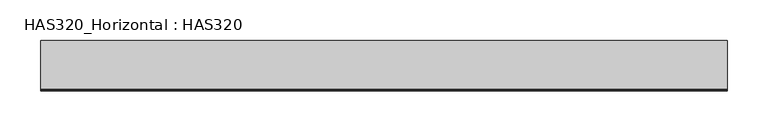
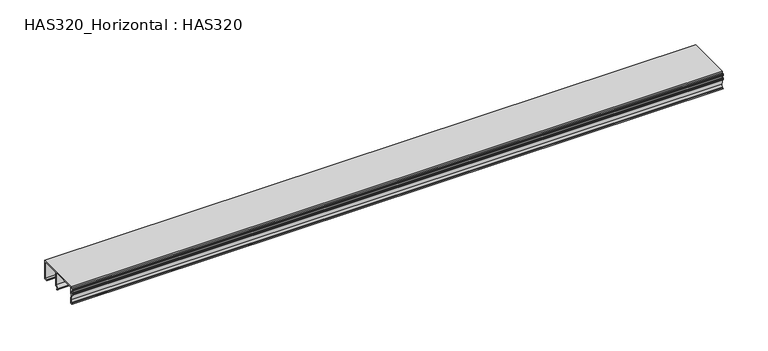
"""IFC4 building model written with IfcOpenShell, lengths in millimetres: beam geometry, HAS320_Horizontal : HAS320."""

from ifc_helpers import new_model, si_unit, point, frame, frame_2d, origin, place, context, project, spatial, polyline, circle_curve, trimmed, segment, composite_curve, outline, extrude, source, transform, mapped, element, save


def has320_horizontal_has320_ede865cd(model_context):
    return source(origin(), model_context, "Body", "SweptSolid", [
        extrude(outline(composite_curve([segment(polyline([(-28.3456592, 23.7684887), (-28.3456592, 15.4919614)]), True, "CONTINUOUS"), segment(trimmed(circle_curve(frame_2d((-29.1945338, 15.4919614)), 0.8488746), [point((-28.3456592, 15.4919614))], [point((-29.1945338, 14.6430868))], False, "CARTESIAN"), True, "CONTINUOUS"), segment(polyline([(-29.1945338, 14.6430868), (-27.9212219, 6.7909968), (-28.3842444, 1.6977492), (-30.892283, 1.6977492), (-31.5289389, 2.3344051), (-30.892283, 2.9710611), (-29.4067524, 2.9710611), (-28.9823151, 6.5787781), (-30.4678457, 14.6430868), (-31.4403573, 14.6430868)]), True, "CONTINUOUS"), segment(trimmed(circle_curve(frame_2d((-31.4403573, 15.1561057)), 0.5130189), [point((-31.4403573, 14.6430868))], [point((-31.9533762, 15.1561057))], False, "CARTESIAN"), True, "CONTINUOUS"), segment(polyline([(-31.9533762, 15.1561057), (-31.9533762, 16.7452281)]), True, "CONTINUOUS"), segment(trimmed(circle_curve(frame_2d((-31.4228296, 16.7452281)), 0.5305466), [point((-31.9533762, 16.7452281))], [point((-30.892283, 16.7452281))], False, "CARTESIAN"), True, "CONTINUOUS"), segment(polyline([(-30.892283, 16.7452281), (-30.892283, 15.9163987), (-29.4067524, 15.9163987), (-29.4067524, 21.4340836), (-30.892283, 21.4340836), (-30.892283, 20.6340836)]), True, "CONTINUOUS"), segment(trimmed(circle_curve(frame_2d((-31.4228296, 20.6340836)), 0.5305466), [point((-30.892283, 20.6340836))], [point((-31.9533762, 20.6340836))], False, "CARTESIAN"), True, "CONTINUOUS"), segment(polyline([(-31.9533762, 20.6340836), (-31.9533762, 22.1908368)]), True, "CONTINUOUS"), segment(trimmed(circle_curve(frame_2d((-31.4368175, 22.1908368)), 0.5165587), [point((-31.9533762, 22.1908368))], [point((-31.4368175, 22.7073955))], False, "CARTESIAN"), True, "CONTINUOUS"), segment(polyline([(-31.4368175, 22.7073955), (-29.6189711, 22.7073955), (-29.6189711, 25.0418006), (29.6189711, 25.0418006), (29.6189711, 0.0), (25.1623794, 0.0), (24.5257235, 0.6366559), (25.1623794, 1.2733119), (28.3456592, 1.2733119), (28.3456592, 23.7684887), (5.426045, 23.7684887), (5.426045, 5.0629306), (3.7282958, 5.3054662), (2.0305466, 3.607717), (2.5876206, 2.6792605)]), True, "CONTINUOUS"), segment(trimmed(circle_curve(frame_2d((2.2799035, 2.2176849)), 0.5547448), [point((2.5876206, 2.6792605))], [point((1.818328, 1.9099678))], False, "CARTESIAN"), True, "CONTINUOUS"), segment(polyline([(1.818328, 1.9099678), (0.6136751, 3.7169472), (4.3649518, 7.2002756), (4.3649518, 23.7684887), (-28.3456592, 23.7684887)]), True, "CONTINUOUS")], self_intersect=False)), frame((-419.5539789, 0.0, 0.0), z_axis=(1.0, 0.0, 0.0), x_axis=(0.0, 1.0, 0.0)), (0.0, 0.0, 1.0), 839.1079578),
    ])


if __name__ == "__main__":
    model = new_model("IFC4")
    model_context = context("Model", 3, world=origin())
    ifc_project = project(units=[si_unit("LENGTHUNIT", "METRE", prefix="MILLI")], contexts=[model_context])
    site = spatial("IfcSite", under=ifc_project)
    building = spatial("IfcBuilding", under=site)
    placement = place(None, origin())
    has320_horizontal_has320_shape = has320_horizontal_has320_ede865cd(model_context)
    element("IfcBeam", 1, ObjectType="HAS320_Horizontal : HAS320", at=placement, inside=building, context=model_context, shape_type="MappedRepresentation", body=[
        mapped(has320_horizontal_has320_shape, transform((0.0, 0.0, 0.0), x_axis=(1.0, 0.0, 0.0), y_axis=(0.0, 1.0, 0.0), z_axis=(0.0, 0.0, 1.0))),
    ])
    save(model, "model.ifc")
